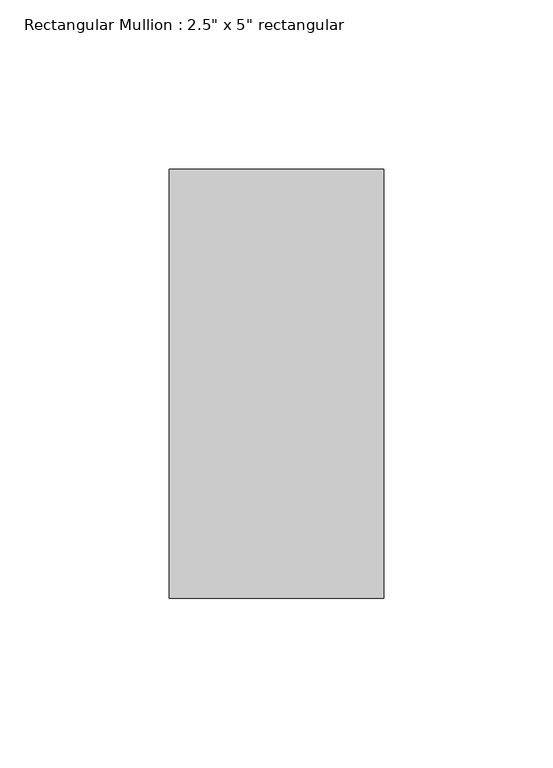
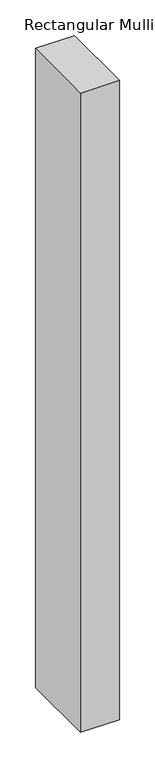
"""IFC4 building model written with IfcOpenShell, lengths in millimetres: member geometry."""

from ifc_helpers import new_model, si_unit, frame, origin, place, context, project, spatial, polyline, outline, extrude, source, transform, mapped, element, save


def member_e80433b6(model_context):
    return source(origin(), model_context, "Body", "SweptSolid", [
        extrude(outline(polyline([(31.75, 63.5), (31.75, -63.5), (-31.75, -63.5), (-31.75, 63.5), (31.75, 63.5)])), frame((0.0, 0.0, -1098.55), z_axis=(0.0, 0.0, 1.0), x_axis=(1.0, 0.0, 0.0)), (0.0, 0.0, 1.0), 1098.55),
    ])


if __name__ == "__main__":
    model = new_model("IFC4")
    model_context = context("Model", 3, world=origin())
    ifc_project = project(units=[si_unit("LENGTHUNIT", "METRE", prefix="MILLI")], contexts=[model_context])
    site = spatial("IfcSite", under=ifc_project)
    building = spatial("IfcBuilding", under=site)
    placement = place(None, origin())
    member_shape = member_e80433b6(model_context)
    element("IfcMember", 1, ObjectType="Rectangular Mullion : 2.5\" x 5\" rectangular", at=placement, inside=building, context=model_context, shape_type="MappedRepresentation", body=[
        mapped(member_shape, transform((0.0, 0.0, 0.0), x_axis=(1.0, 0.0, 0.0), y_axis=(0.0, 1.0, 0.0), z_axis=(0.0, 0.0, 1.0))),
    ])
    save(model, "model.ifc")
